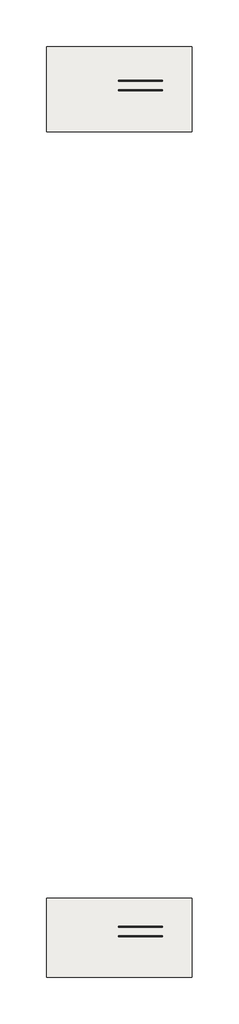
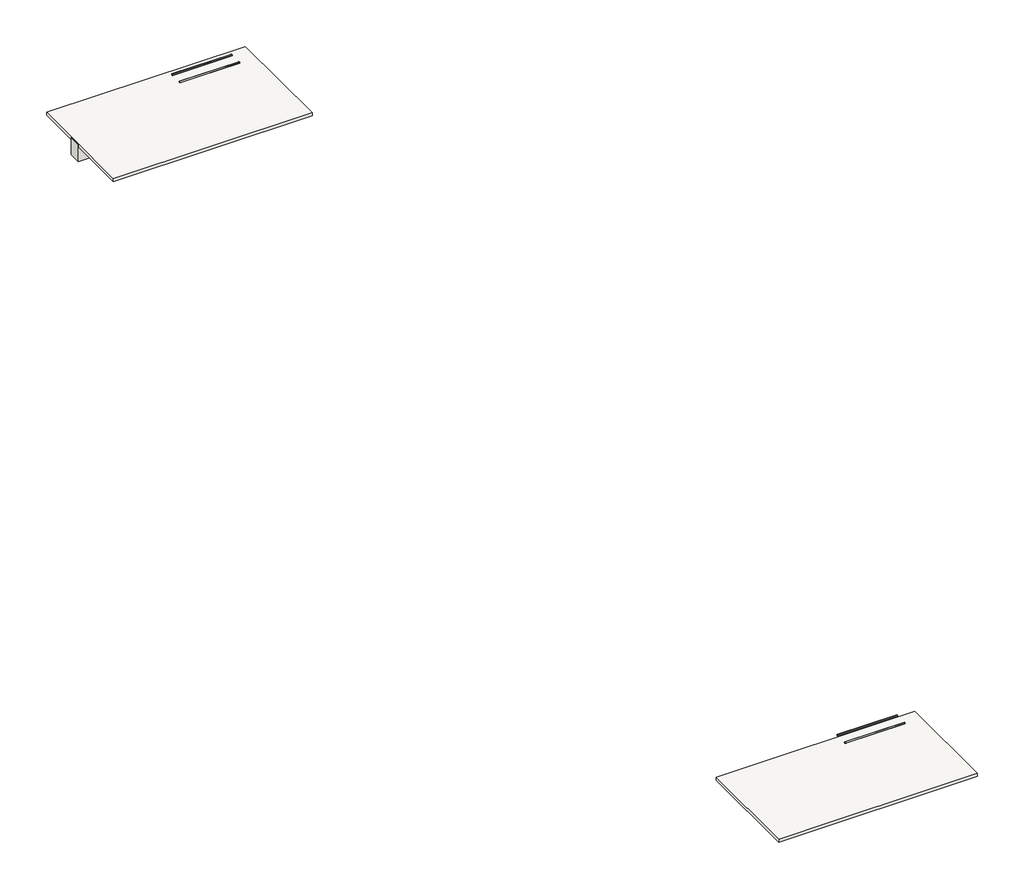
# One storey: 4 cable carrier segments, 2 coverings, 1 wall.
"""IFC4 building model written with IfcOpenShell, lengths in millimetres."""

from ifc_helpers import new_model, si_unit, point, frame, frame_2d, origin, place, context, project, spatial, polyline, circle_curve, trimmed, segment, composite_curve, outline, extrude, element, save

model = new_model("IFC4")

# Units and contexts
model_context = context("Model", 3, world=origin())
ifc_project = project(units=[si_unit("LENGTHUNIT", "METRE", prefix="MILLI")], contexts=[model_context])

# Site, building, storey
site = spatial("IfcSite", under=ifc_project)
building = spatial("IfcBuilding", under=site)
storey = spatial("IfcBuildingStorey", under=building, Elevation=-300.0)

# Cable carrier segments
placement = place(None, origin())
element("IfcCableCarrierSegment", 1, at=placement, inside=storey, context=model_context, shape_type="SweptSolid", body=[
    extrude(outline(composite_curve([segment(trimmed(circle_curve(frame_2d((262.2564599, 561.2288643)), 11.71), [point((273.9664599, 561.2288643))], [point((262.2564599, 549.5188643))], False, "CARTESIAN"), True, "CONTINUOUS"), segment(trimmed(circle_curve(frame_2d((262.2564599, 561.2288643)), 11.71), [point((262.2564599, 549.5188643))], [point((250.5464599, 561.2288643))], False, "CARTESIAN"), True, "CONTINUOUS"), segment(trimmed(circle_curve(frame_2d((262.2564599, 561.2288643)), 11.71), [point((250.5464599, 561.2288643))], [point((262.2564599, 572.9388643))], False, "CARTESIAN"), True, "CONTINUOUS"), segment(trimmed(circle_curve(frame_2d((262.2564599, 561.2288643)), 11.71), [point((262.2564599, 572.9388643))], [point((273.9664599, 561.2288643))], False, "CARTESIAN"), True, "CONTINUOUS")], self_intersect=False)), frame((-19193.1632659, 0.0, 0.0), z_axis=(1.0, 0.0, 0.0), x_axis=(0.0, 1.0, 0.0)), (0.0, 0.0, 1.0), 980.0),
])
element("IfcCableCarrierSegment", 2, at=placement, inside=storey, context=model_context, shape_type="SweptSolid", body=[
    extrude(outline(composite_curve([segment(trimmed(circle_curve(frame_2d((475.0128628, 561.2288643)), 11.71), [point((486.7228628, 561.2288643))], [point((475.0128628, 549.5188643))], False, "CARTESIAN"), True, "CONTINUOUS"), segment(trimmed(circle_curve(frame_2d((475.0128628, 561.2288643)), 11.71), [point((475.0128628, 549.5188643))], [point((463.3028628, 561.2288643))], False, "CARTESIAN"), True, "CONTINUOUS"), segment(trimmed(circle_curve(frame_2d((475.0128628, 561.2288643)), 11.71), [point((463.3028628, 561.2288643))], [point((475.0128628, 572.9388643))], False, "CARTESIAN"), True, "CONTINUOUS"), segment(trimmed(circle_curve(frame_2d((475.0128628, 561.2288643)), 11.71), [point((475.0128628, 572.9388643))], [point((486.7228628, 561.2288643))], False, "CARTESIAN"), True, "CONTINUOUS")], self_intersect=False)), frame((-19193.1632659, 0.0, 0.0), z_axis=(1.0, 0.0, 0.0), x_axis=(0.0, 1.0, 0.0)), (0.0, 0.0, 1.0), 980.0),
])
element("IfcCableCarrierSegment", 3, at=placement, inside=storey, context=model_context, shape_type="SweptSolid", body=[
    extrude(outline(composite_curve([segment(trimmed(circle_curve(frame_2d((-18637.7435401, 561.2288643)), 11.71), [point((-18626.0335401, 561.2288643))], [point((-18637.7435401, 549.5188643))], False, "CARTESIAN"), True, "CONTINUOUS"), segment(trimmed(circle_curve(frame_2d((-18637.7435401, 561.2288643)), 11.71), [point((-18637.7435401, 549.5188643))], [point((-18649.4535401, 561.2288643))], False, "CARTESIAN"), True, "CONTINUOUS"), segment(trimmed(circle_curve(frame_2d((-18637.7435401, 561.2288643)), 11.71), [point((-18649.4535401, 561.2288643))], [point((-18637.7435401, 572.9388643))], False, "CARTESIAN"), True, "CONTINUOUS"), segment(trimmed(circle_curve(frame_2d((-18637.7435401, 561.2288643)), 11.71), [point((-18637.7435401, 572.9388643))], [point((-18626.0335401, 561.2288643))], False, "CARTESIAN"), True, "CONTINUOUS")], self_intersect=False)), frame((-19193.1632659, 0.0, 0.0), z_axis=(1.0, 0.0, 0.0), x_axis=(0.0, 1.0, 0.0)), (0.0, 0.0, 1.0), 980.0),
])
element("IfcCableCarrierSegment", 4, at=placement, inside=storey, context=model_context, shape_type="SweptSolid", body=[
    extrude(outline(composite_curve([segment(trimmed(circle_curve(frame_2d((-18424.9871372, 561.2288643)), 11.71), [point((-18413.2771372, 561.2288643))], [point((-18424.9871372, 549.5188643))], False, "CARTESIAN"), True, "CONTINUOUS"), segment(trimmed(circle_curve(frame_2d((-18424.9871372, 561.2288643)), 11.71), [point((-18424.9871372, 549.5188643))], [point((-18436.6971372, 561.2288643))], False, "CARTESIAN"), True, "CONTINUOUS"), segment(trimmed(circle_curve(frame_2d((-18424.9871372, 561.2288643)), 11.71), [point((-18436.6971372, 561.2288643))], [point((-18424.9871372, 572.9388643))], False, "CARTESIAN"), True, "CONTINUOUS"), segment(trimmed(circle_curve(frame_2d((-18424.9871372, 561.2288643)), 11.71), [point((-18424.9871372, 572.9388643))], [point((-18413.2771372, 561.2288643))], False, "CARTESIAN"), True, "CONTINUOUS")], self_intersect=False)), frame((-19193.1632659, 0.0, 0.0), z_axis=(1.0, 0.0, 0.0), x_axis=(0.0, 1.0, 0.0)), (0.0, 0.0, 1.0), 980.0),
])

# Coverings
element("IfcCovering", 5, at=placement, inside=storey, context=model_context, shape_type="SweptSolid", body=[
    extrude(outline(polyline([(-20811.3780113, -660.0069977), (-20811.3780113, 1238.9302757), (-17551.3780113, 1238.9302757), (-17551.3780113, -660.0069977), (-20811.3780113, -660.0069977)])), frame((0.0, 0.0, -40.0), z_axis=(0.0, 0.0, 1.0), x_axis=(1.0, 0.0, 0.0)), (0.0, 0.0, 1.0), 52.0),
])
element("IfcCovering", 6, at=placement, inside=storey, context=model_context, shape_type="SweptSolid", body=[
    extrude(outline(polyline([(-20811.3780113, -19560.0069977), (-20811.3780113, -17784.9871372), (-17551.3780113, -17784.9871372), (-17551.3780113, -19560.0069977), (-20811.3780113, -19560.0069977)])), frame((0.0, 0.0, -40.0), z_axis=(0.0, 0.0, 1.0), x_axis=(1.0, 0.0, 0.0)), (0.0, 0.0, 1.0), 52.0),
])

# Wall
element("IfcWall", 7, at=placement, inside=storey, context=model_context, shape_type="SweptSolid", body=[
    extrude(outline(polyline([(-20811.3780113, 538.3021179), (-18411.3780113, 538.3021179), (-18411.3780113, 338.3021179), (-20811.3780113, 338.3021179), (-20811.3780113, 538.3021179)])), frame((0.0, 0.0, -300.0), z_axis=(0.0, 0.0, 1.0), x_axis=(1.0, 0.0, 0.0)), (0.0, 0.0, 1.0), 300.0),
])

save(model, "model.ifc")
